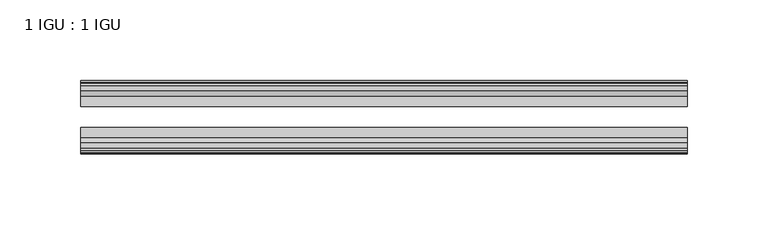
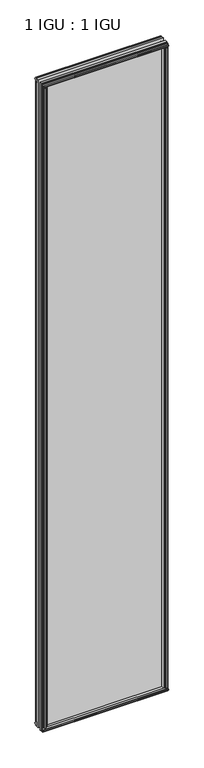
"""IFC4 building model written with IfcOpenShell, lengths in millimetres: plate geometry, 1 IGU : 1 IGU."""

from ifc_helpers import new_model, si_unit, frame, origin, origin_with_axes, place, context, project, spatial, polyline, outline, extrude, source, transform, mapped, element, save


def plate_1_igu_1_igu_55f2f32f(model_context):
    return source(origin(), model_context, "Body", "SweptSolid", [
        extrude(outline(polyline([(173.0011137, -19.5460937), (175.1063908, -13.1960937), (180.3135852, -13.1960937), (180.6945852, -10.8158968), (179.2790562, -11.27583), (179.2790562, -10.4746158), (181.4565852, -9.7670937), (183.6341143, -10.4746158), (183.6341143, -11.27583), (182.2185852, -10.8158968), (182.5995852, -13.1960937), (187.0445852, -13.1960937), (187.0445852, -16.1419073), (184.8315077, -19.5460937), (173.0011137, -19.5460937)])), origin_with_axes(), (0.0, 0.0, 1.0), 2019.3),
        extrude(outline(polyline([(-173.0011137, -19.5460937), (-184.8315077, -19.5460937), (-187.0445852, -16.1419073), (-187.0445852, -13.1960937), (-182.5995852, -13.1960937), (-182.2185852, -10.8158968), (-183.6341143, -11.27583), (-183.6341143, -10.4746158), (-181.4565852, -9.7670937), (-179.2790562, -10.4746158), (-179.2790562, -11.27583), (-180.6945852, -10.8158968), (-180.3135852, -13.1960937), (-175.1063908, -13.1960937), (-173.0011137, -19.5460937)])), origin_with_axes(), (0.0, 0.0, 1.0), 2019.3),
        extrude(outline(polyline([(-16.1419073, -12.4576852), (-19.5460937, -10.2446077), (-19.5460937, 1.5857863), (-13.1960937, -0.5194908), (-13.1960937, -5.7266852), (-10.8158968, -6.1076852), (-11.27583, -4.6921562), (-10.4746158, -4.6921562), (-9.7670937, -6.8696852), (-10.4746158, -9.0472143), (-11.27583, -9.0472143), (-10.8158968, -7.6316852), (-13.1960937, -8.0126852), (-13.1960937, -12.4576852), (-16.1419073, -12.4576852)])), frame((-187.2869, 0.0, 0.0), z_axis=(1.0, 0.0, 0.0), x_axis=(0.0, 1.0, 0.0)), (0.0, 0.0, 1.0), 374.5738),
        extrude(outline(polyline([(-48.3502802, -11.938), (-51.2960937, -11.938), (-51.2960937, -7.493), (-53.6762907, -7.112), (-53.2163575, -8.5275291), (-54.0175717, -8.5275291), (-54.7250937, -6.35), (-54.0175717, -4.172471), (-53.2163575, -4.172471), (-53.6762907, -5.588), (-51.2960937, -5.207), (-51.2960937, 0.0001944), (-44.9460937, 2.1054715), (-44.9460937, -9.7249225), (-48.3502802, -11.938)])), frame((-187.2869, 0.0, 0.0), z_axis=(1.0, 0.0, 0.0), x_axis=(0.0, 1.0, 0.0)), (0.0, 0.0, 1.0), 374.5738),
        extrude(outline(polyline([(-16.1028367, 2031.7576852), (-13.1960937, 2031.7576852), (-13.1960937, 2027.3126852), (-10.8158968, 2026.9316852), (-11.27583, 2028.3472143), (-10.4746158, 2028.3472143), (-9.7670937, 2026.1696852), (-10.4746158, 2023.9921562), (-11.27583, 2023.9921562), (-10.8158968, 2025.4076852), (-13.1960937, 2025.0266852), (-13.1960937, 2019.7940908), (-19.5460937, 2017.6888137), (-19.5460937, 2029.5192077), (-16.1028367, 2031.7576852)])), frame((-187.2869, 0.0, 0.0), z_axis=(1.0, 0.0, 0.0), x_axis=(0.0, 1.0, 0.0)), (0.0, 0.0, 1.0), 374.5738),
        extrude(outline(polyline([(-48.3893508, 2031.2126), (-44.9460937, 2028.9741225), (-44.9460937, 2017.1437285), (-51.2960937, 2019.2490056), (-51.2960937, 2024.4816), (-53.6762907, 2024.8626), (-53.2163575, 2023.4470709), (-54.0175717, 2023.4470709), (-54.7250938, 2025.6246), (-54.0175717, 2027.802129), (-53.2163575, 2027.802129), (-53.6762907, 2026.3866), (-51.2960937, 2026.7676), (-51.2960937, 2031.2126), (-48.3893508, 2031.2126)])), frame((-187.2869, 0.0, 0.0), z_axis=(1.0, 0.0, 0.0), x_axis=(0.0, 1.0, 0.0)), (0.0, 0.0, 1.0), 374.5738),
        extrude(outline(polyline([(-172.4814285, -44.9460938), (-174.5867056, -51.2960938), (-179.7939, -51.2960938), (-180.1749, -53.6762907), (-178.759371, -53.2163575), (-178.759371, -54.0175717), (-180.9369, -54.7250938), (-183.1144291, -54.0175717), (-183.1144291, -53.2163575), (-181.6989, -53.6762907), (-182.0799, -51.2960938), (-186.5249, -51.2960938), (-186.5249, -48.3502802), (-184.3118225, -44.9460938), (-172.4814285, -44.9460938)])), origin_with_axes(), (0.0, 0.0, 1.0), 2019.3),
        extrude(outline(polyline([(172.4814285, -44.9460938), (184.3118225, -44.9460938), (186.5249, -48.3502802), (186.5249, -51.2960938), (182.0799, -51.2960938), (181.6989, -53.6762907), (183.1144291, -53.2163575), (183.1144291, -54.0175717), (180.9369, -54.7250938), (178.759371, -54.0175717), (178.759371, -53.2163575), (180.1749, -53.6762907), (179.7939, -51.2960938), (174.5867056, -51.2960938), (172.4814285, -44.9460938)])), origin_with_axes(), (0.0, 0.0, 1.0), 2019.3),
        extrude(outline(polyline([(187.2869, -19.5460937), (187.2869, -25.8337453), (-187.2869, -25.8337453), (-187.2869, -19.5460937), (187.2869, -19.5460937)])), frame((0.0, 0.0, -12.7), z_axis=(0.0, 0.0, 1.0), x_axis=(1.0, 0.0, 0.0)), (0.0, 0.0, 1.0), 2044.6872998),
        extrude(outline(polyline([(-187.2869, -44.9460937), (-187.2869, -38.6468938), (187.2869, -38.6468938), (187.2869, -44.9460937), (-187.2869, -44.9460937)])), frame((0.0, 0.0, -12.7), z_axis=(0.0, 0.0, 1.0), x_axis=(1.0, 0.0, 0.0)), (0.0, 0.0, 1.0), 2044.6872998),
    ])


if __name__ == "__main__":
    model = new_model("IFC4")
    model_context = context("Model", 3, world=origin())
    ifc_project = project(units=[si_unit("LENGTHUNIT", "METRE", prefix="MILLI")], contexts=[model_context])
    site = spatial("IfcSite", under=ifc_project)
    building = spatial("IfcBuilding", under=site)
    placement = place(None, origin())
    plate_1_igu_1_igu_shape = plate_1_igu_1_igu_55f2f32f(model_context)
    element("IfcPlate", 1, ObjectType="1 IGU : 1 IGU", at=placement, inside=building, context=model_context, shape_type="MappedRepresentation", body=[
        mapped(plate_1_igu_1_igu_shape, transform((0.0, 0.0, 0.0), x_axis=(1.0, 0.0, 0.0), y_axis=(0.0, 1.0, 0.0), z_axis=(0.0, 0.0, 1.0))),
    ])
    save(model, "model.ifc")
